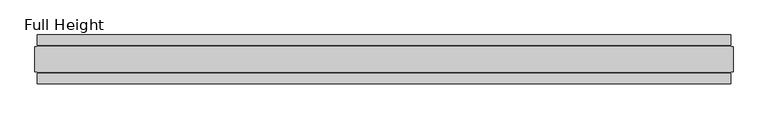
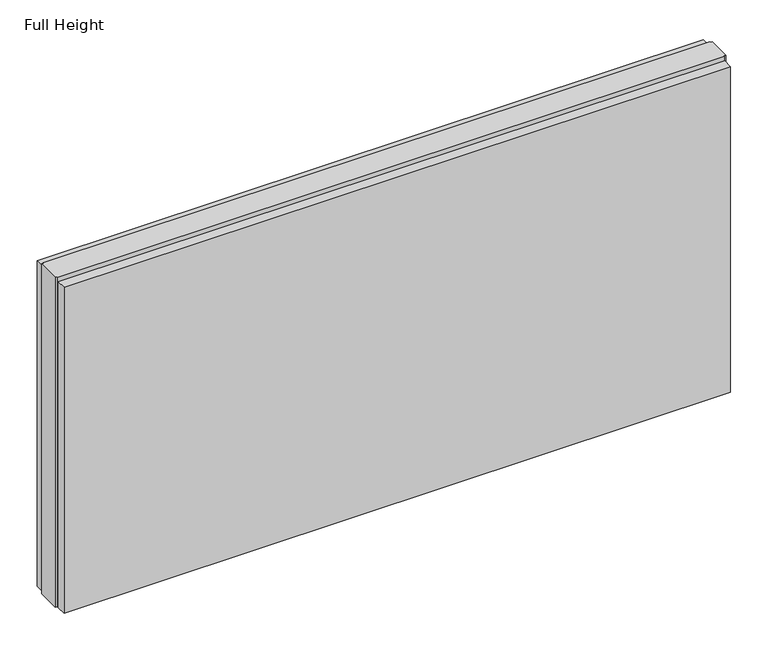
"""IFC4 building model written with IfcOpenShell, lengths in millimetres: plate geometry, Full Height."""

from ifc_helpers import new_model, si_unit, origin, origin_with_axes, place, context, project, spatial, polyline, outline, extrude, source, transform, mapped, element, save


def full_height_fb51ec59(model_context):
    return source(origin(), model_context, "Body", "SweptSolid", [
        extrude(outline(polyline([(706.628, 28.956), (-706.628, 28.956), (-706.628, 49.53), (706.628, 49.53), (706.628, 28.956)])), origin_with_axes(), (0.0, 0.0, 1.0), 729.996),
        extrude(outline(polyline([(706.628, -28.956), (706.628, -49.53), (-706.628, -49.53), (-706.628, -28.956), (706.628, -28.956)])), origin_with_axes(), (0.0, 0.0, 1.0), 729.996),
        extrude(outline(polyline([(706.628, -25.146), (706.628, -26.67), (-706.628, -26.67), (-706.628, -25.146), (-711.2, -25.146), (-711.2, 25.146), (-706.628, 25.146), (-706.628, 26.67), (706.628, 26.67), (706.628, 25.146), (711.2, 25.146), (711.2, -25.146), (706.628, -25.146)])), origin_with_axes(), (0.0, 0.0, 1.0), 739.14),
    ])


if __name__ == "__main__":
    model = new_model("IFC4")
    model_context = context("Model", 3, world=origin())
    ifc_project = project(units=[si_unit("LENGTHUNIT", "METRE", prefix="MILLI")], contexts=[model_context])
    site = spatial("IfcSite", under=ifc_project)
    building = spatial("IfcBuilding", under=site)
    placement = place(None, origin())
    full_height_shape = full_height_fb51ec59(model_context)
    element("IfcPlate", 1, ObjectType="Full Height", at=placement, inside=building, context=model_context, shape_type="MappedRepresentation", body=[
        mapped(full_height_shape, transform((0.0, 0.0, 0.0), x_axis=(1.0, 0.0, 0.0), y_axis=(0.0, 1.0, 0.0), z_axis=(0.0, 0.0, 1.0))),
    ])
    save(model, "model.ifc")
